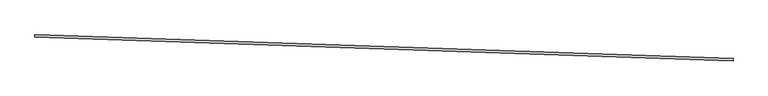
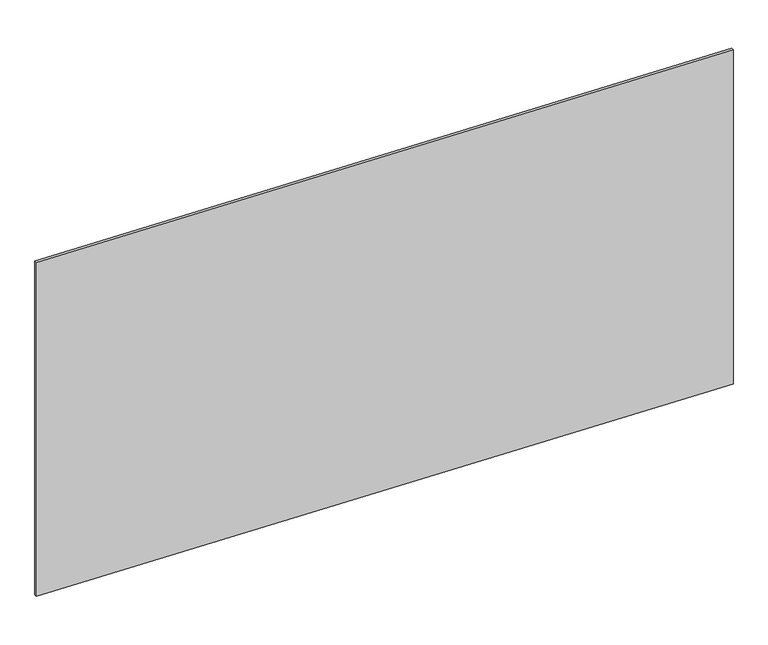
"""IFC4 building model written with IfcOpenShell, lengths in millimetres: proxy geometry."""

from ifc_helpers import new_model, si_unit, frame, origin, place, context, project, spatial, polyline, outline, extrude, source, transform, mapped, element, save


def generic_models_4d62814e(model_context):
    return source(origin(), model_context, "Body", "SweptSolid", [
        extrude(outline(polyline([(34521.8392528, -15473.0395672), (34521.620746, -15479.4245853), (32753.962564, -15418.9321343), (32754.1810708, -15412.5471162), (34521.8392528, -15473.0395672)])), frame((0.0, 0.0, 1597.975708), z_axis=(0.0, 0.0, 1.0), x_axis=(1.0, 0.0, 0.0)), (0.0, 0.0, 1.0), 914.4),
    ])


if __name__ == "__main__":
    model = new_model("IFC4")
    model_context = context("Model", 3, world=origin())
    ifc_project = project(units=[si_unit("LENGTHUNIT", "METRE", prefix="MILLI")], contexts=[model_context])
    site = spatial("IfcSite", under=ifc_project)
    building = spatial("IfcBuilding", under=site)
    placement = place(None, origin())
    generic_models_shape = generic_models_4d62814e(model_context)
    element("IfcBuildingElementProxy", 1, Name="Generic Models", at=placement, inside=building, context=model_context, shape_type="MappedRepresentation", body=[
        mapped(generic_models_shape, transform((0.0, 0.0, 0.0), x_axis=(1.0, 0.0, 0.0), y_axis=(0.0, 1.0, 0.0), z_axis=(0.0, 0.0, 1.0))),
    ])
    save(model, "model.ifc")
